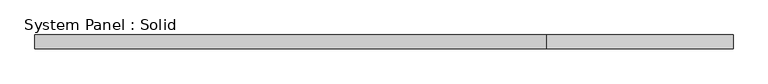
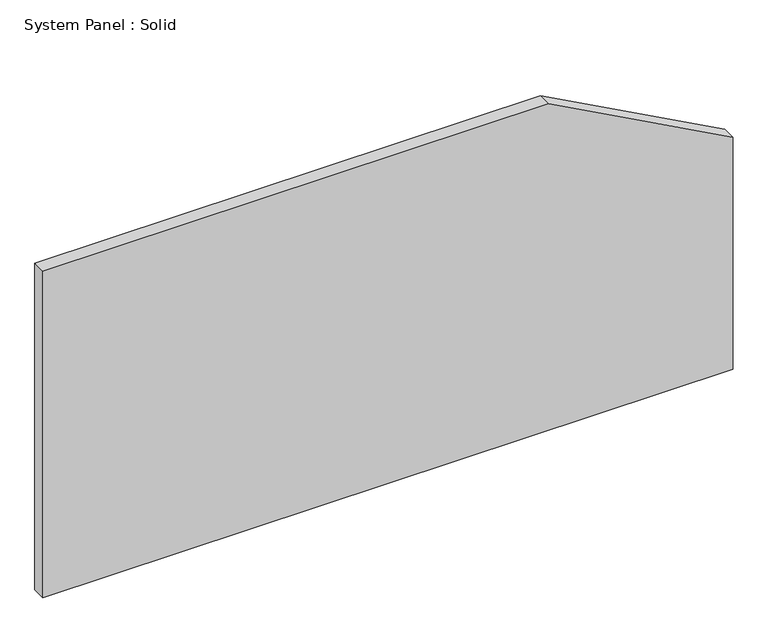
"""IFC4 building model written with IfcOpenShell, lengths in millimetres: plate geometry, System Panel : Solid."""

from ifc_helpers import new_model, si_unit, frame, origin, place, context, project, spatial, polyline, outline, extrude, source, transform, mapped, element, save


def system_panel_solid_abdf0118(model_context):
    return source(origin(), model_context, "Body", "SweptSolid", [
        extrude(outline(polyline([(0.0, -1500.0), (0.0, 1500.0), (1066.780924, 1500.0), (1500.0, 698.6691535), (1500.0, -1500.0), (0.0, -1500.0)])), frame((0.0, -10.5, 0.0), z_axis=(0.0, 1.0, 0.0), x_axis=(0.0, 0.0, 1.0)), (0.0, 0.0, 1.0), 60.0),
    ])


if __name__ == "__main__":
    model = new_model("IFC4")
    model_context = context("Model", 3, world=origin())
    ifc_project = project(units=[si_unit("LENGTHUNIT", "METRE", prefix="MILLI")], contexts=[model_context])
    site = spatial("IfcSite", under=ifc_project)
    building = spatial("IfcBuilding", under=site)
    placement = place(None, origin())
    system_panel_solid_shape = system_panel_solid_abdf0118(model_context)
    element("IfcPlate", 1, ObjectType="System Panel : Solid", at=placement, inside=building, context=model_context, shape_type="MappedRepresentation", body=[
        mapped(system_panel_solid_shape, transform((0.0, 0.0, 0.0), x_axis=(1.0, 0.0, 0.0), y_axis=(0.0, 1.0, 0.0), z_axis=(0.0, 0.0, 1.0))),
    ])
    save(model, "model.ifc")
